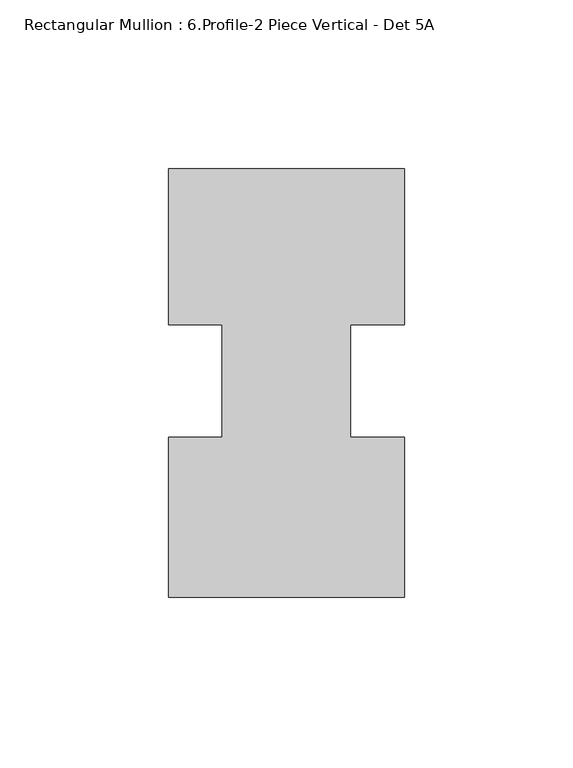
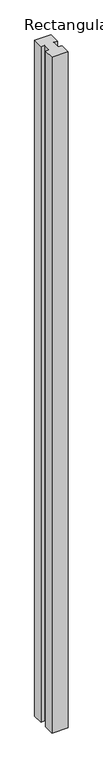
"""IFC4 building model written with IfcOpenShell, lengths in millimetres: member geometry, Rectangular Mullion : 6.Profile-2 Piece Vertical - Det 5A."""

from ifc_helpers import new_model, si_unit, frame, origin, place, context, project, spatial, polyline, outline, extrude, source, transform, mapped, element, save


def rectangular_mullion_6_profile_2_piece_vertical_det_5a_467fb1d6(model_context):
    return source(origin(), model_context, "Body", "SweptSolid", [
        extrude(outline(polyline([(-69.85, -59.9394629), (-69.85, -12.4795629), (-53.975, -12.4795629), (-53.975, 20.8993343), (-69.85, 20.8993343), (-69.85, 67.0605371), (0.0, 67.0605371), (0.0, 20.8993343), (-15.875, 20.8993343), (-15.875, -12.4800741), (0.0, -12.4800741), (0.0, -59.9394629), (-69.85, -59.9394629)])), frame((0.0, 0.0, -3048.0), z_axis=(0.0, 0.0, 1.0), x_axis=(1.0, 0.0, 0.0)), (0.0, 0.0, 1.0), 3048.0),
    ])


if __name__ == "__main__":
    model = new_model("IFC4")
    model_context = context("Model", 3, world=origin())
    ifc_project = project(units=[si_unit("LENGTHUNIT", "METRE", prefix="MILLI")], contexts=[model_context])
    site = spatial("IfcSite", under=ifc_project)
    building = spatial("IfcBuilding", under=site)
    placement = place(None, origin())
    rectangular_mullion_6_profile_2_piece_vertical_det_5a_shape = rectangular_mullion_6_profile_2_piece_vertical_det_5a_467fb1d6(model_context)
    element("IfcMember", 1, ObjectType="Rectangular Mullion : 6.Profile-2 Piece Vertical - Det 5A", at=placement, inside=building, context=model_context, shape_type="MappedRepresentation", body=[
        mapped(rectangular_mullion_6_profile_2_piece_vertical_det_5a_shape, transform((0.0, 0.0, 0.0), x_axis=(1.0, 0.0, 0.0), y_axis=(0.0, 1.0, 0.0), z_axis=(0.0, 0.0, 1.0))),
    ])
    save(model, "model.ifc")
